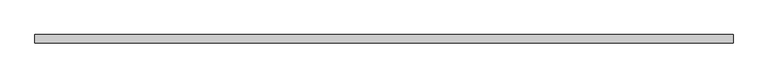
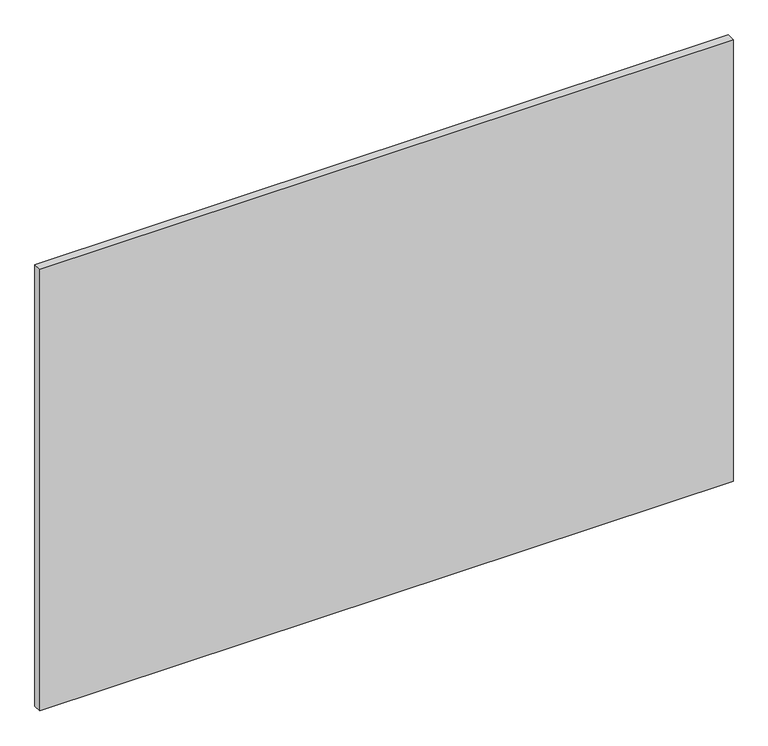
"""IFC4 building model written with IfcOpenShell, lengths in millimetres: plate geometry."""

from ifc_helpers import new_model, si_unit, origin, origin_with_axes, place, context, project, spatial, polyline, outline, extrude, source, transform, mapped, element, save


def plate_d154fb1b(model_context):
    return source(origin(), model_context, "Body", "SweptSolid", [
        extrude(outline(polyline([(612.5, 7.25), (612.5, -7.25), (-612.5, -7.25), (-612.5, 7.25), (612.5, 7.25)])), origin_with_axes(), (0.0, 0.0, 1.0), 825.0),
    ])


if __name__ == "__main__":
    model = new_model("IFC4")
    model_context = context("Model", 3, world=origin())
    ifc_project = project(units=[si_unit("LENGTHUNIT", "METRE", prefix="MILLI")], contexts=[model_context])
    site = spatial("IfcSite", under=ifc_project)
    building = spatial("IfcBuilding", under=site)
    placement = place(None, origin())
    plate_shape = plate_d154fb1b(model_context)
    element("IfcPlate", 1, at=placement, inside=building, context=model_context, shape_type="MappedRepresentation", body=[
        mapped(plate_shape, transform((0.0, 0.0, 0.0), x_axis=(1.0, 0.0, 0.0), y_axis=(0.0, 1.0, 0.0), z_axis=(0.0, 0.0, 1.0))),
    ])
    save(model, "model.ifc")
